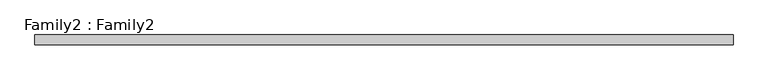
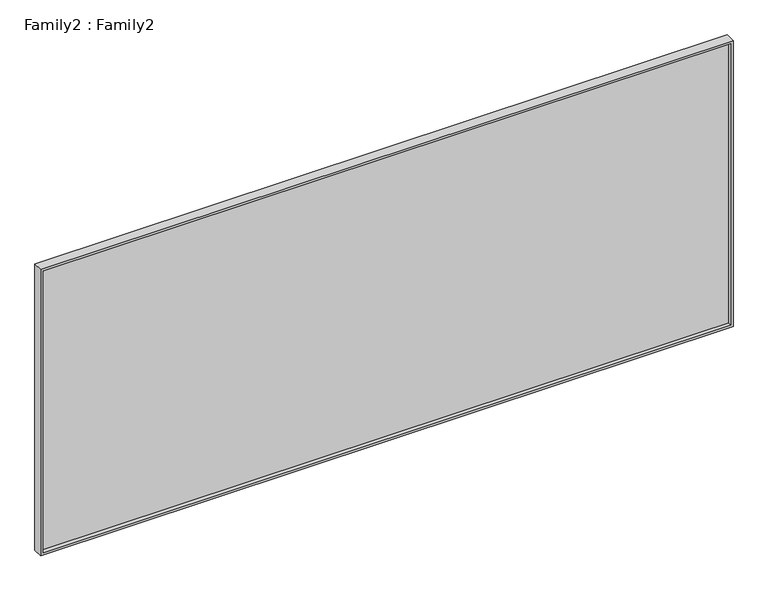
"""IFC4 building model written with IfcOpenShell, lengths in millimetres: plate geometry, Family2 : Family2."""

from ifc_helpers import new_model, si_unit, frame, origin, place, context, project, spatial, polyline, outline, extrude, source, transform, mapped, element, save


def family2_family2_764a16c4(model_context):
    return source(origin(), model_context, "Body", "SweptSolid", [
        extrude(outline(polyline([(2450.0, -2802.5), (0.0, -2802.5), (0.0, 2802.5), (2450.0, 2802.5), (2450.0, -2802.5)]), holes=[polyline([(20.0, -2782.5), (2430.0, -2782.5), (2430.0, 2782.5), (20.0, 2782.5), (20.0, -2782.5)])]), frame((0.0, -40.0, 0.0), z_axis=(0.0, 1.0, 0.0), x_axis=(0.0, 0.0, 1.0)), (0.0, 0.0, 1.0), 80.0),
        extrude(outline(polyline([(2782.5, -10.0), (-2782.5, -10.0), (-2782.5, 10.0), (2782.5, 10.0), (2782.5, -10.0)])), frame((0.0, 0.0, 20.0), z_axis=(0.0, 0.0, 1.0), x_axis=(1.0, 0.0, 0.0)), (0.0, 0.0, 1.0), 2410.0),
    ])


if __name__ == "__main__":
    model = new_model("IFC4")
    model_context = context("Model", 3, world=origin())
    ifc_project = project(units=[si_unit("LENGTHUNIT", "METRE", prefix="MILLI")], contexts=[model_context])
    site = spatial("IfcSite", under=ifc_project)
    building = spatial("IfcBuilding", under=site)
    placement = place(None, origin())
    family2_family2_shape = family2_family2_764a16c4(model_context)
    element("IfcPlate", 1, ObjectType="Family2 : Family2", at=placement, inside=building, context=model_context, shape_type="MappedRepresentation", body=[
        mapped(family2_family2_shape, transform((0.0, 0.0, 0.0), x_axis=(1.0, 0.0, 0.0), y_axis=(0.0, 1.0, 0.0), z_axis=(0.0, 0.0, 1.0))),
    ])
    save(model, "model.ifc")
